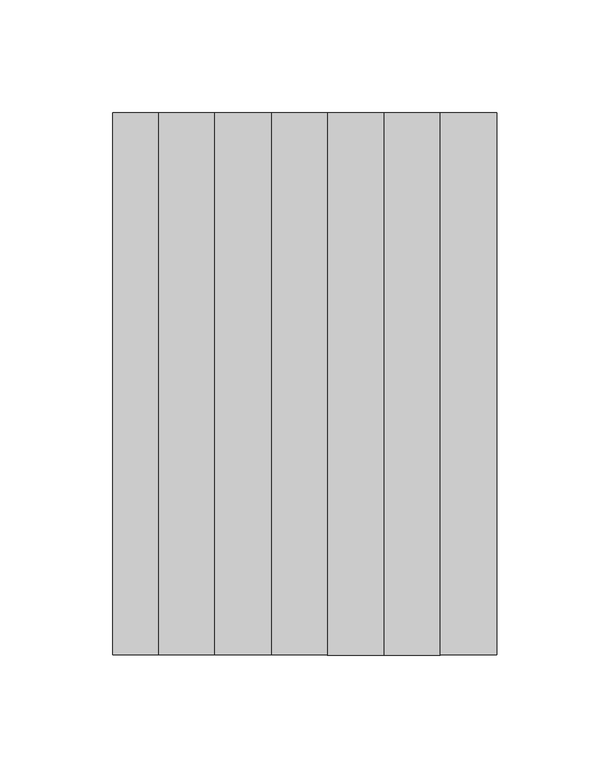
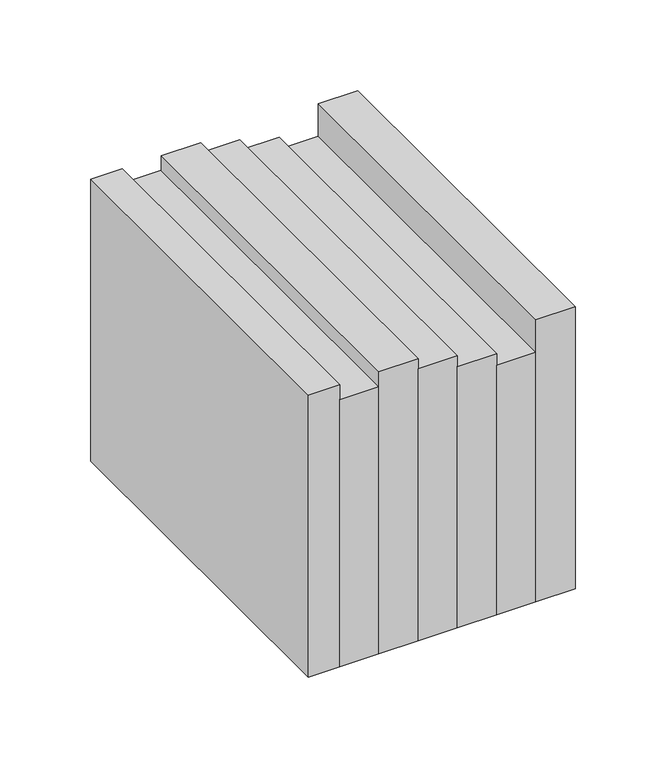
"""IFC4 building model written with IfcOpenShell, lengths in millimetres: proxy geometry."""

from ifc_helpers import new_model, si_unit, origin, origin_with_axes, place, context, project, spatial, polyline, outline, extrude, source, transform, mapped, element, save


def generic_models_7a4390db(model_context):
    return source(origin(), model_context, "Body", "SweptSolid", [
        extrude(outline(polyline([(67.0182061, -240.0), (42.0182061, -240.0), (42.0182061, 0.0), (67.0182061, 0.0), (67.0182061, -240.0)])), origin_with_axes(), (0.0, 0.0, 1.0), 190.0),
        extrude(outline(polyline([(42.0182061, -240.0), (17.0182061, -240.0), (17.0182061, 0.0), (42.0182061, 0.0), (42.0182061, -240.0)])), origin_with_axes(), (0.0, 0.0, 1.0), 168.1559201),
        extrude(outline(polyline([(17.0182061, -240.0), (-7.9817939, -240.0), (-7.9817939, 0.0), (17.0182061, 0.0), (17.0182061, -240.0)])), origin_with_axes(), (0.0, 0.0, 1.0), 175.9749052),
        extrude(outline(polyline([(-7.9817939, -240.0), (-32.9817939, -240.0), (-32.9817939, 0.0), (-7.9817939, 0.0), (-7.9817939, -240.0)])), origin_with_axes(), (0.0, 0.0, 1.0), 183.2726246),
        extrude(outline(polyline([(-32.9817939, -240.0), (-57.9817939, -240.0), (-57.9817939, 0.0), (-32.9817939, 0.0), (-32.9817939, -240.0)])), origin_with_axes(), (0.0, 0.0, 1.0), 190.0),
        extrude(outline(polyline([(-57.9817939, -240.0), (-82.9817939, -240.0), (-82.9817939, 0.0), (-57.9817939, 0.0), (-57.9817939, -240.0)])), origin_with_axes(), (0.0, 0.0, 1.0), 180.0),
        extrude(outline(polyline([(-82.9817939, -240.0), (-102.9817939, -240.0), (-102.9817939, 0.0), (-82.9817939, 0.0), (-82.9817939, -240.0)])), origin_with_axes(), (0.0, 0.0, 1.0), 190.0),
    ])


if __name__ == "__main__":
    model = new_model("IFC4")
    model_context = context("Model", 3, world=origin())
    ifc_project = project(units=[si_unit("LENGTHUNIT", "METRE", prefix="MILLI")], contexts=[model_context])
    site = spatial("IfcSite", under=ifc_project)
    building = spatial("IfcBuilding", under=site)
    placement = place(None, origin())
    generic_models_shape = generic_models_7a4390db(model_context)
    element("IfcBuildingElementProxy", 1, Name="Generic Models", at=placement, inside=building, context=model_context, shape_type="MappedRepresentation", body=[
        mapped(generic_models_shape, transform((0.0, 0.0, 0.0), x_axis=(1.0, 0.0, 0.0), y_axis=(0.0, 1.0, 0.0), z_axis=(0.0, 0.0, 1.0))),
    ])
    save(model, "model.ifc")
